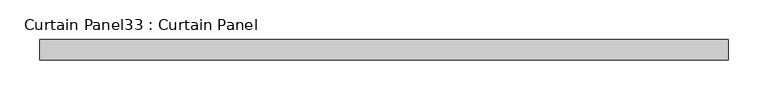
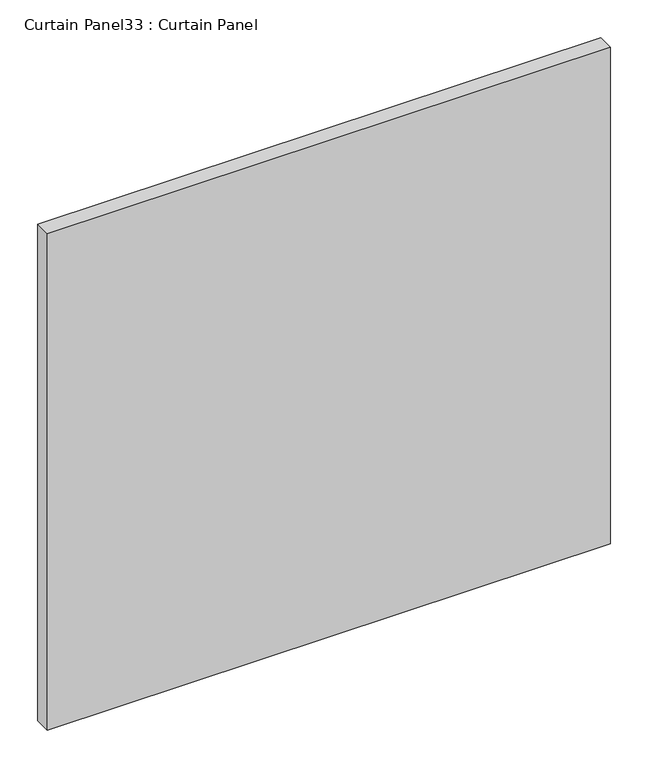
"""IFC4 building model written with IfcOpenShell, lengths in millimetres: plate geometry, Curtain Panel33 : Curtain Panel."""

from ifc_helpers import new_model, si_unit, frame, origin, place, context, project, spatial, polyline, outline, extrude, source, transform, mapped, element, save


def curtain_panel33_curtain_panel_117e096e(model_context):
    return source(origin(), model_context, "Body", "SweptSolid", [
        extrude(outline(polyline([(40363.7172436, 2225.3654634), (39499.8037234, 2225.3654634), (39499.8037234, 2250.7654634), (40363.7172436, 2250.7654634), (40363.7172436, 2225.3654634)])), frame((0.0, 0.0, -569.0026178), z_axis=(0.0, 0.0, 1.0), x_axis=(1.0, 0.0, 0.0)), (0.0, 0.0, 1.0), 804.7235076),
    ])


if __name__ == "__main__":
    model = new_model("IFC4")
    model_context = context("Model", 3, world=origin())
    ifc_project = project(units=[si_unit("LENGTHUNIT", "METRE", prefix="MILLI")], contexts=[model_context])
    site = spatial("IfcSite", under=ifc_project)
    building = spatial("IfcBuilding", under=site)
    placement = place(None, origin())
    curtain_panel33_curtain_panel_shape = curtain_panel33_curtain_panel_117e096e(model_context)
    element("IfcPlate", 1, ObjectType="Curtain Panel33 : Curtain Panel", at=placement, inside=building, context=model_context, shape_type="MappedRepresentation", body=[
        mapped(curtain_panel33_curtain_panel_shape, transform((0.0, 0.0, 0.0), x_axis=(1.0, 0.0, 0.0), y_axis=(0.0, 1.0, 0.0), z_axis=(0.0, 0.0, 1.0))),
    ])
    save(model, "model.ifc")
